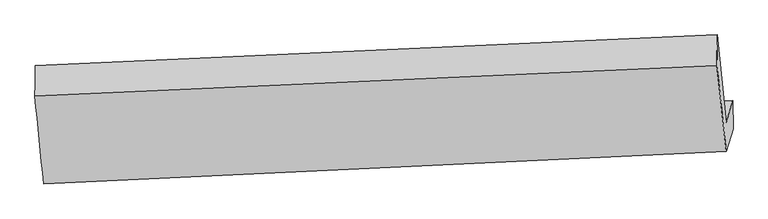
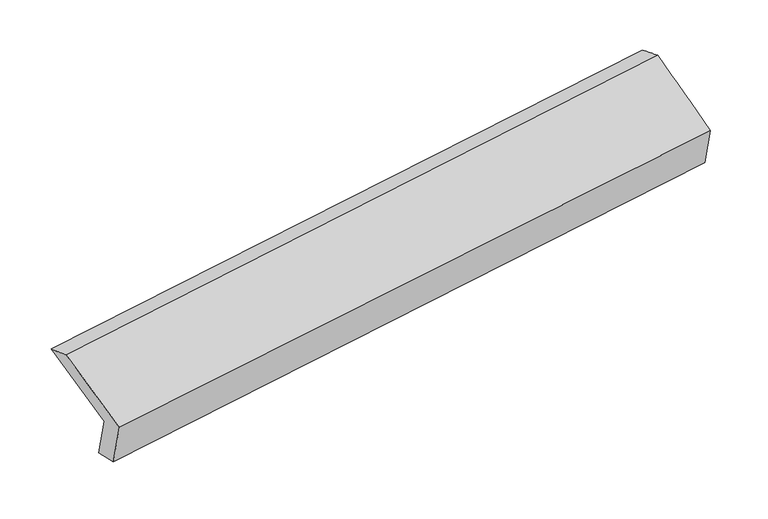
"""IFC4 building model written with IfcOpenShell, lengths in millimetres: proxy geometry."""

from ifc_helpers import new_model, si_unit, frame, origin, place, context, project, spatial, source, transform, mapped, element, save
from ifc_brep_helpers import plane_surface, spline_surface, advanced_brep


def generic_models_e19e9442(model_context):
    return source(origin(), model_context, "Body", "AdvancedBrep", [
        advanced_brep(
        [(-5166.3801964, -1611.0643539, 1230.6614335), (-5212.7851795, -1764.6066305, 1597.1271281), (-499.1334461, -1550.5968667, 2272.7596828), (-452.728463, -1397.0545901, 1906.2939881), (-5164.8288314, -1807.0541328, 1275.3417224), (-451.177098, -1593.044369, 1950.9742771), (-5215.3445961, -1974.1979395, 1674.2707507), (-498.7421123, -1750.4248936, 2326.6008767), (-5275.5933771, -1365.990833, 1921.4689508), (-563.1016749, -1155.8193171, 2606.2624104), (-5273.0339604, -1156.399524, 1844.3253283), (-559.382227, -942.3897602, 2519.9578829)],
        [
            (0, 1),
            (1, 2),
            (2, 3),
            (3, 0),
            (4, 0),
            (3, 5),
            (5, 4),
            (6, 4),
            (5, 7),
            (7, 6),
            (8, 6),
            (7, 9),
            (9, 8),
            (10, 8),
            (9, 11),
            (11, 10),
            (1, 10),
            (11, 2),
        ],
        [
            plane_surface(frame((-5189.5826879, -1687.8354922, 1413.8942808), z_axis=(-0.09553448331870033, 0.9223526395344929, 0.37435113308334345), x_axis=(-0.11600312043651648, -0.3838247966525787, 0.9160904985445476))),
            plane_surface(frame((-5165.6045139, -1709.0592434, 1253.0015779), z_axis=(0.1481729726318798, -0.2187012489301425, -0.9644763003297844), x_axis=(-0.007717304776130954, 0.9749561512998132, -0.2222632363879555))),
            plane_surface(frame((-5190.0867137, -1890.6260362, 1474.8062366), z_axis=(0.09553448331869521, -0.9223526395344951, -0.37435113308333917), x_axis=(0.11600312043655672, 0.3838247966525755, -0.9160904985445438))),
            spline_surface(1, 1, [[(-5275.5933771, -1365.990833, 1921.4689508), (-563.1016749, -1155.8193171, 2606.2624104)], [(-5215.3445961, -1974.1979395, 1674.2707507), (-498.7421123, -1750.4248936, 2326.6008767)]], [2, 2], [2, 2], [0.0, 1.0], [0.0, 1.0]),
            spline_surface(1, 1, [[(-5273.0339604, -1156.399524, 1844.3253283), (-559.382227, -942.3897602, 2519.9578829)], [(-5275.5933771, -1365.990833, 1921.4689508), (-563.1016749, -1155.8193171, 2606.2624104)]], [2, 2], [2, 2], [0.0, 1.0], [0.0, 1.0]),
            plane_surface(frame((-5242.90957, -1460.5030772, 1720.7262282), z_axis=(0.11392793187356368, 0.3837395690422018, -0.9163865829933991), x_axis=(-0.09138544858729364, 0.9225295249455019, 0.37495063060398476))),
            plane_surface(frame((-504.0441702, -1398.2216328, 2263.8081863), z_axis=(0.9890358819757183, 0.0402218979963047, 0.1420923048095431), x_axis=(0.0974799742476278, -0.900598667312837, -0.423579620679541))),
            plane_surface(frame((-5217.9943568, -1613.2189023, 1590.5325523), z_axis=(-0.9890358819757066, -0.04022189799647974, -0.14209230480957444), x_axis=(0.11600312043651878, 0.3838247966525863, -0.916090498544544))),
        ],
        [
            (0, [[1, 2, 3, 4]]),
            (1, [[5, -4, 6, 7]]),
            (2, [[8, -7, 9, 10]]),
            (3, [[11, -10, 12, 13]]),
            (4, [[14, -13, 15, 16]]),
            (5, [[17, -16, 18, -2]]),
            (6, [[-12, -9, -6, -3, -18, -15]]),
            (7, [[-1, -5, -8, -11, -14, -17]]),
        ],
    ),
    ])


if __name__ == "__main__":
    model = new_model("IFC4")
    model_context = context("Model", 3, world=origin())
    ifc_project = project(units=[si_unit("LENGTHUNIT", "METRE", prefix="MILLI")], contexts=[model_context])
    site = spatial("IfcSite", under=ifc_project)
    building = spatial("IfcBuilding", under=site)
    placement = place(None, origin())
    generic_models_shape = generic_models_e19e9442(model_context)
    element("IfcBuildingElementProxy", 1, Name="Generic Models", at=placement, inside=building, context=model_context, shape_type="MappedRepresentation", body=[
        mapped(generic_models_shape, transform((0.0, 0.0, 0.0), x_axis=(1.0, 0.0, 0.0), y_axis=(0.0, 1.0, 0.0), z_axis=(0.0, 0.0, 1.0))),
    ])
    save(model, "model.ifc")
